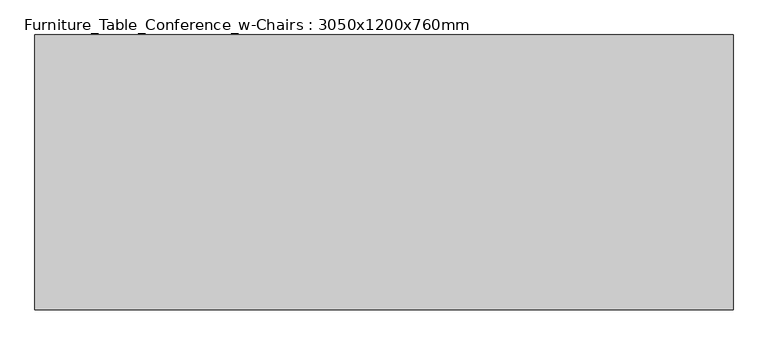
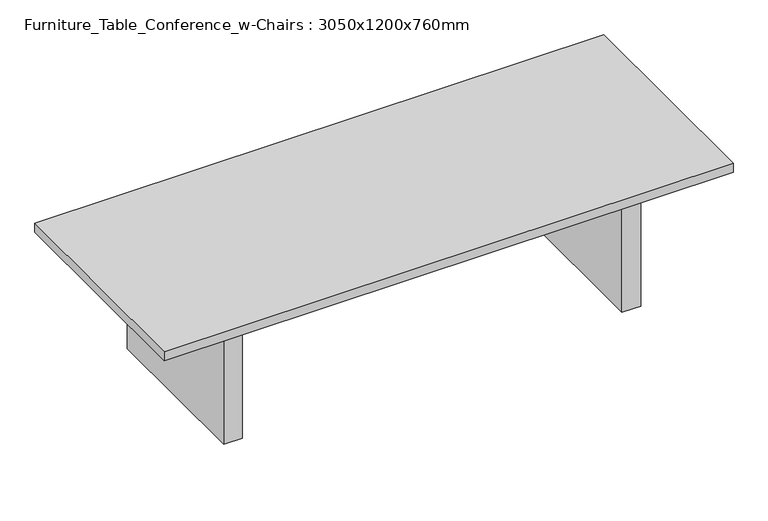
"""IFC4 building model written with IfcOpenShell, lengths in millimetres: furniture geometry, Furniture_Table_Conference_w-Chairs : 3050x1200x760mm."""

import ifcopenshell
import ifcopenshell.guid

model = None  # the IFC model being written
_history = None  # IfcOwnerHistory: only IFC2X3 demands one
_inside = {}  # id of a spatial element -> (the spatial element, [elements in it])
_under = {}  # id of a project, library or spatial element -> (it, [spatial elements below it])
_declared = {}  # id of a project -> (the project, [libraries it declares])
_typed = {}  # id of a type object -> (the type object, [elements of that type])
_made_of = {}  # id of a material, layer set ... -> (it, [elements and type objects made of it])


def new_model(schema):
    """Start an empty IFC model of exactly this schema.

    Asked for "IFC4X3", IfcOpenShell would pick the latest addendum, in which some entities
    have other attributes; the version numbers below select the first issue.
    IFC2X3 requires an IfcOwnerHistory on every rooted entity: one is made here for all.
    """
    global model, _history
    if schema == "IFC4X3":
        model = ifcopenshell.file(schema_version=(4, 3, 0, 0))
    else:
        model = ifcopenshell.file(schema=schema)
    _inside.clear()
    _under.clear()
    _declared.clear()
    _typed.clear()
    _made_of.clear()
    _history = None
    if model.schema == "IFC2X3":
        org = make("IfcOrganization", Name="unknown")
        user = make(
            "IfcPersonAndOrganization",
            ThePerson=make("IfcPerson", FamilyName="unknown"),
            TheOrganization=org,
        )
        app = make(
            "IfcApplication",
            ApplicationDeveloper=org,
            Version="unknown",
            ApplicationFullName="unknown",
            ApplicationIdentifier="unknown",
        )
        _history = make(
            "IfcOwnerHistory",
            OwningUser=user,
            OwningApplication=app,
            ChangeAction="ADDED",
            CreationDate=0,
        )
    return model


def make(cls, **values):
    """One entity of the class cls with the attributes given. An attribute that is None is left unset."""
    return model.create_entity(
        cls, **{name: value for name, value in values.items() if value is not None}
    )


def rooted(cls, **values):
    """An entity with a GlobalId (a new one), such as an element, a storey or a relation."""
    return make(cls, GlobalId=ifcopenshell.guid.new(), OwnerHistory=_history, **values)


def si_unit(unit_type, name, prefix=None):
    """IfcSIUnit, for example si_unit("LENGTHUNIT", "METRE", prefix="MILLI")."""
    return make("IfcSIUnit", UnitType=unit_type, Prefix=prefix, Name=name)


def assignment(units):
    """IfcUnitAssignment: the units of a project."""
    return None if units is None else make("IfcUnitAssignment", Units=units)


def point(xyz):
    """IfcCartesianPoint."""
    return None if xyz is None else make("IfcCartesianPoint", Coordinates=xyz)


def direction(xyz):
    """IfcDirection."""
    return None if xyz is None else make("IfcDirection", DirectionRatios=xyz)


def frame(location, z_axis=None, x_axis=None):
    """IfcAxis2Placement3D, a coordinate frame: its origin and axes. An axis left out is left unset."""
    return make(
        "IfcAxis2Placement3D",
        Location=point(location),
        Axis=direction(z_axis),
        RefDirection=direction(x_axis),
    )


def origin():
    """The frame at (0, 0, 0) with its axes left unset."""
    return frame((0.0, 0.0, 0.0))


def origin_with_axes():
    """The frame at (0, 0, 0) with the z axis (0, 0, 1) and the x axis (1, 0, 0) written out."""
    return frame((0.0, 0.0, 0.0), z_axis=(0.0, 0.0, 1.0), x_axis=(1.0, 0.0, 0.0))


def place(relative_to, where):
    """IfcLocalPlacement: puts the frame where relative to a parent placement (None: the world)."""
    return make(
        "IfcLocalPlacement", PlacementRelTo=relative_to, RelativePlacement=where
    )


def context(
    kind, dimensions, precision=None, world=None, true_north=None, identifier=None
):
    """IfcGeometricRepresentationContext, for example the 3D "Model" context."""
    return make(
        "IfcGeometricRepresentationContext",
        ContextIdentifier=identifier,
        ContextType=kind,
        CoordinateSpaceDimension=dimensions,
        Precision=precision,
        WorldCoordinateSystem=world,
        TrueNorth=true_north,
    )


def project(units=None, contexts=None):
    """IfcProject with its units and contexts."""
    return rooted(
        "IfcProject",
        Name="project",
        RepresentationContexts=contexts,
        UnitsInContext=assignment(units),
    )


def spatial(cls, under=None, at=None, **own):
    """A site, building, storey or space (cls), placed at a placement, below another one or the project."""
    s = rooted(cls, ObjectPlacement=at, **own)
    if under is not None:
        _under.setdefault(under.id(), (under, []))[1].append(s)
    return s


def polyline(points):
    """IfcPolyline through the points."""
    return make("IfcPolyline", Points=[point(p) for p in points])


def outline(outer, holes=None, kind="AREA"):
    """IfcArbitraryClosedProfileDef: a profile drawn as a closed curve; with holes, ...WithVoids."""
    if holes is None:
        return make("IfcArbitraryClosedProfileDef", ProfileType=kind, OuterCurve=outer)
    return make(
        "IfcArbitraryProfileDefWithVoids",
        ProfileType=kind,
        OuterCurve=outer,
        InnerCurves=holes,
    )


def extrude(swept, where, along, depth):
    """IfcExtrudedAreaSolid: the profile swept, set in the frame where, extruded along a direction by depth."""
    return make(
        "IfcExtrudedAreaSolid",
        SweptArea=swept,
        Position=where,
        ExtrudedDirection=direction(along),
        Depth=depth,
    )


def shape(context_of_items, identifier, shape_type, items):
    """IfcShapeRepresentation: the items that make up one representation, for example the "Body"."""
    return make(
        "IfcShapeRepresentation",
        ContextOfItems=context_of_items,
        RepresentationIdentifier=identifier,
        RepresentationType=shape_type,
        Items=items,
    )


def source(mapping_origin, context_of_items, identifier, shape_type, items):
    """IfcRepresentationMap: a shape defined once, which mapped items show again and again."""
    return make(
        "IfcRepresentationMap",
        MappingOrigin=mapping_origin,
        MappedRepresentation=shape(context_of_items, identifier, shape_type, items),
    )


def transform(
    local_origin,
    x_axis=None,
    y_axis=None,
    z_axis=None,
    scale=None,
    scale2=None,
    scale3=None,
    uniform=True,
):
    """IfcCartesianTransformationOperator3D, or its non-uniform kind. x_axis, y_axis, z_axis: its Axis1, 2, 3."""
    if uniform:
        return make(
            "IfcCartesianTransformationOperator3D",
            Axis1=direction(x_axis),
            Axis2=direction(y_axis),
            LocalOrigin=point(local_origin),
            Scale=scale,
            Axis3=direction(z_axis),
        )
    return make(
        "IfcCartesianTransformationOperator3DnonUniform",
        Axis1=direction(x_axis),
        Axis2=direction(y_axis),
        LocalOrigin=point(local_origin),
        Scale=scale,
        Axis3=direction(z_axis),
        Scale2=scale2,
        Scale3=scale3,
    )


def mapped(mapping_source, mapping_target):
    """IfcMappedItem: shows the shape of a source again, moved by a transform."""
    return make(
        "IfcMappedItem", MappingSource=mapping_source, MappingTarget=mapping_target
    )


def made_of(thing, what):
    """Note that an element or type object is made of a material, layer set ...; save() writes the relation."""
    if what is not None:
        _made_of.setdefault(what.id(), (what, []))[1].append(thing)
    return thing


def element(
    cls,
    number,
    at=None,
    inside=None,
    cuts=None,
    type_object=None,
    material=None,
    context=None,
    identifier="Body",
    shape_type=None,
    held_by="IfcProductDefinitionShape",
    body=None,
    shapes=None,
    **own,
):
    """One element of the class cls, such as IfcWall. Its Tag is "e" and its number.

    at: its placement. inside: the storey or other place that contains it. cuts: it is an
    opening in that element (IfcRelVoidsElement). A single representation is given by context,
    identifier, shape_type and body (its items); several are given by shapes. held_by: the class
    of the entity that holds the representations. save() writes the other relations.
    """
    e = rooted(cls, Tag="e%d" % number, ObjectPlacement=at, **own)
    if body is not None:
        shapes = [shape(context, identifier, shape_type, body)]
    if shapes is not None:
        e.Representation = make(held_by, Representations=shapes)
    if inside is not None:
        _inside.setdefault(inside.id(), (inside, []))[1].append(e)
    if cuts is not None:
        rooted(
            "IfcRelVoidsElement", RelatingBuildingElement=cuts, RelatedOpeningElement=e
        )
    if type_object is not None:
        _typed.setdefault(type_object.id(), (type_object, []))[1].append(e)
    return made_of(e, material)


def aggregate(whole, parts):
    """IfcRelAggregates: a whole, such as a stair, and the parts it consists of."""
    return rooted("IfcRelAggregates", RelatingObject=whole, RelatedObjects=parts)


def save(model, path):
    """Write the relations noted so far, then the file.

    IfcRelAggregates (storeys below a building ...), IfcRelContainedInSpatialStructure (elements
    in a storey), IfcRelDefinesByType, IfcRelAssociatesMaterial and IfcRelDeclares: one each for
    every whole, place, type object, material and project.
    """
    for whole, parts in _under.values():
        aggregate(whole, parts)
    for where, things in _inside.values():
        rooted(
            "IfcRelContainedInSpatialStructure",
            RelatedElements=things,
            RelatingStructure=where,
        )
    for kind, things in _typed.values():
        rooted("IfcRelDefinesByType", RelatedObjects=things, RelatingType=kind)
    for what, things in _made_of.values():
        rooted("IfcRelAssociatesMaterial", RelatedObjects=things, RelatingMaterial=what)
    for by, libraries in _declared.values():
        rooted("IfcRelDeclares", RelatingContext=by, RelatedDefinitions=libraries)
    model.write(path)


def furniture_table_conference_w_chairs_3050x1200x760mm_930714f4(model_context):
    return source(origin(), model_context, "Body", "SweptSolid", [
        extrude(outline(polyline([(1017.0, 447.6), (1017.0, 409.5), (-1017.0, 409.5), (-1017.0, 447.6), (1017.0, 447.6)])), frame((0.0, 0.0, 607.6), z_axis=(0.0, 0.0, 1.0), x_axis=(1.0, 0.0, 0.0)), (0.0, 0.0, 1.0), 101.6),
        extrude(outline(polyline([(1017.0, -447.6), (-1017.0, -447.6), (-1017.0, -409.5), (1017.0, -409.5), (1017.0, -447.6)])), frame((0.0, 0.0, 607.6), z_axis=(0.0, 0.0, 1.0), x_axis=(1.0, 0.0, 0.0)), (0.0, 0.0, 1.0), 101.6),
        extrude(outline(polyline([(-1017.0, -447.6), (-1118.6, -447.6), (-1118.6, 447.6), (-1017.0, 447.6), (-1017.0, -447.6)])), origin_with_axes(), (0.0, 0.0, 1.0), 709.2),
        extrude(outline(polyline([(1118.6, -447.6), (1017.0, -447.6), (1017.0, 447.6), (1118.6, 447.6), (1118.6, -447.6)])), origin_with_axes(), (0.0, 0.0, 1.0), 709.2),
        extrude(outline(polyline([(1525.0, -600.0), (-1525.0, -600.0), (-1525.0, 600.0), (1525.0, 600.0), (1525.0, -600.0)])), frame((0.0, 0.0, 709.2), z_axis=(0.0, 0.0, 1.0), x_axis=(1.0, 0.0, 0.0)), (0.0, 0.0, 1.0), 50.8),
    ])


if __name__ == "__main__":
    model = new_model("IFC4")
    model_context = context("Model", 3, world=origin())
    ifc_project = project(units=[si_unit("LENGTHUNIT", "METRE", prefix="MILLI")], contexts=[model_context])
    site = spatial("IfcSite", under=ifc_project)
    building = spatial("IfcBuilding", under=site)
    placement = place(None, origin())
    furniture_table_conference_w_chairs_3050x1200x760mm_shape = furniture_table_conference_w_chairs_3050x1200x760mm_930714f4(model_context)
    element("IfcFurniture", 1, ObjectType="Furniture_Table_Conference_w-Chairs : 3050x1200x760mm", at=placement, inside=building, context=model_context, shape_type="MappedRepresentation", body=[
        mapped(furniture_table_conference_w_chairs_3050x1200x760mm_shape, transform((0.0, 0.0, 0.0), x_axis=(1.0, 0.0, 0.0), y_axis=(0.0, 1.0, 0.0), z_axis=(0.0, 0.0, 1.0))),
    ])
    save(model, "model.ifc")
